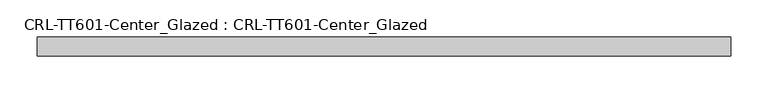
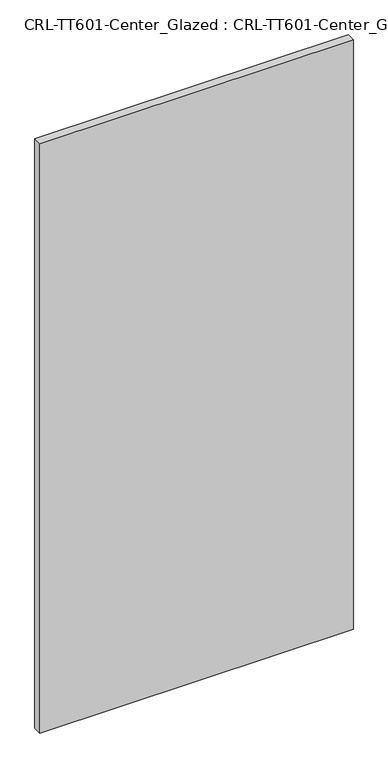
"""IFC4 building model written with IfcOpenShell, lengths in millimetres: plate geometry, CRL-TT601-Center_Glazed : CRL-TT601-Center_Glazed."""

from ifc_helpers import new_model, si_unit, origin, origin_with_axes, place, context, project, spatial, polyline, outline, extrude, source, transform, mapped, element, save


def crl_tt601_center_glazed_crl_tt601_center_glazed_b675296b(model_context):
    return source(origin(), model_context, "Body", "SweptSolid", [
        extrude(outline(polyline([(-463.55, -12.7254), (-463.55, 12.6746), (463.55, 12.6746), (463.55, -12.7254), (-463.55, -12.7254)])), origin_with_axes(), (0.0, 0.0, 1.0), 1841.355463),
    ])


if __name__ == "__main__":
    model = new_model("IFC4")
    model_context = context("Model", 3, world=origin())
    ifc_project = project(units=[si_unit("LENGTHUNIT", "METRE", prefix="MILLI")], contexts=[model_context])
    site = spatial("IfcSite", under=ifc_project)
    building = spatial("IfcBuilding", under=site)
    placement = place(None, origin())
    crl_tt601_center_glazed_crl_tt601_center_glazed_shape = crl_tt601_center_glazed_crl_tt601_center_glazed_b675296b(model_context)
    element("IfcPlate", 1, ObjectType="CRL-TT601-Center_Glazed : CRL-TT601-Center_Glazed", at=placement, inside=building, context=model_context, shape_type="MappedRepresentation", body=[
        mapped(crl_tt601_center_glazed_crl_tt601_center_glazed_shape, transform((0.0, 0.0, 0.0), x_axis=(1.0, 0.0, 0.0), y_axis=(0.0, 1.0, 0.0), z_axis=(0.0, 0.0, 1.0))),
    ])
    save(model, "model.ifc")
